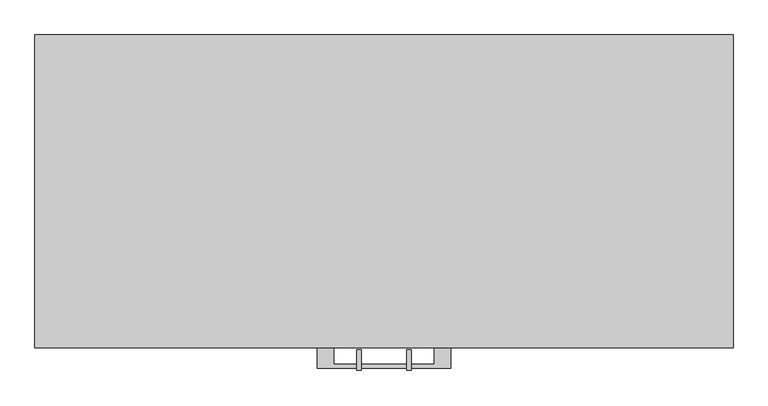
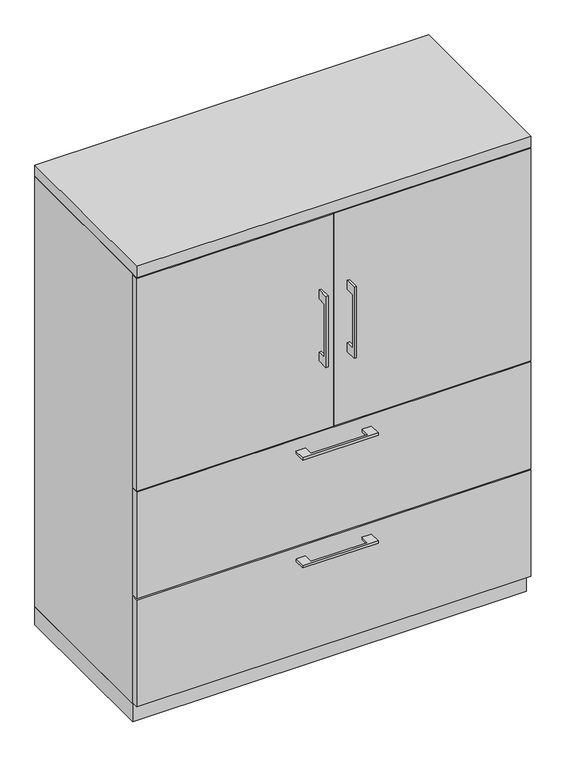
"""IFC4 building model written with IfcOpenShell, lengths in millimetres: furniture geometry."""

from ifc_helpers import new_model, si_unit, frame, origin, origin_with_axes, place, context, project, spatial, polyline, outline, extrude, source, transform, mapped, element, save


def furniture_dc845b52(model_context):
    return source(origin(), model_context, "Body", "SweptSolid", [
        extrude(outline(polyline([(-479.425, 1049.3375), (-504.8249758, 1049.3375), (-504.8249758, 896.9375), (-479.425, 896.9375), (-479.425, 871.5375), (-511.1749879, 871.5375), (-511.1749879, 1074.7375), (-479.425, 1074.7375), (-479.425, 1049.3375)])), frame((-41.2749879, 0.0, 0.0), z_axis=(1.0, 0.0, 0.0), x_axis=(0.0, 1.0, 0.0)), (0.0, 0.0, 1.0), 6.3499758),
        extrude(outline(polyline([(-531.8125, -476.25), (-531.8125, -457.2), (-1.5875, -457.2), (-1.5875, -476.25), (-531.8125, -476.25)])), frame((0.0, 0.0, 669.925), z_axis=(0.0, 0.0, 1.0), x_axis=(1.0, 0.0, 0.0)), (0.0, 0.0, 1.0), 606.425),
        extrude(outline(polyline([(-479.425, 1049.3375), (-504.8249758, 1049.3375), (-504.8249758, 896.9375), (-479.425, 896.9375), (-479.425, 871.5375), (-511.1749879, 871.5375), (-511.1749879, 1074.7375), (-479.425, 1074.7375), (-479.425, 1049.3375)])), frame((34.9250121, 0.0, 0.0), z_axis=(1.0, 0.0, 0.0), x_axis=(0.0, 1.0, 0.0)), (0.0, 0.0, 1.0), 6.3499758),
        extrude(outline(polyline([(531.8125, -476.25), (1.5875, -476.25), (1.5875, -457.2), (531.8125, -457.2), (531.8125, -476.25)])), frame((0.0, 0.0, 669.925), z_axis=(0.0, 0.0, 1.0), x_axis=(1.0, 0.0, 0.0)), (0.0, 0.0, 1.0), 606.425),
        extrude(outline(polyline([(512.7625, -19.05), (512.7625, -457.2), (-512.7625, -457.2), (-512.7625, -19.05), (512.7625, -19.05)])), frame((0.0, 0.0, 965.2), z_axis=(0.0, 0.0, 1.0), x_axis=(1.0, 0.0, 0.0)), (0.0, 0.0, 1.0), 19.05),
        extrude(outline(polyline([(-76.1999818, -476.25), (-76.1999818, -501.6499758), (76.2, -501.6499758), (76.2, -476.25), (101.5999939, -476.25), (101.5999939, -507.9999879), (-101.5999939, -507.9999879), (-101.5999939, -476.25), (-76.1999818, -476.25)])), frame((0.0, 0.0, 627.0625506), z_axis=(0.0, 0.0, 1.0), x_axis=(1.0, 0.0, 0.0)), (0.0, 0.0, 1.0), 6.3499758),
        extrude(outline(polyline([(531.8125, -457.2), (531.8125, -476.25), (-531.8125, -476.25), (-531.8125, -457.2), (531.8125, -457.2)])), frame((0.0, 0.0, 361.95), z_axis=(0.0, 0.0, 1.0), x_axis=(1.0, 0.0, 0.0)), (0.0, 0.0, 1.0), 304.8),
        extrude(outline(polyline([(-76.1999818, -476.25), (-76.1999818, -501.6499758), (76.2, -501.6499758), (76.2, -476.25), (101.5999939, -476.25), (101.5999939, -507.9999879), (-101.5999939, -507.9999879), (-101.5999939, -476.25), (-76.1999818, -476.25)])), frame((0.0, 0.0, 319.0875506), z_axis=(0.0, 0.0, 1.0), x_axis=(1.0, 0.0, 0.0)), (0.0, 0.0, 1.0), 6.3499758),
        extrude(outline(polyline([(531.8125, -457.2), (531.8125, -476.25), (-531.8125, -476.25), (-531.8125, -457.2), (531.8125, -457.2)])), frame((0.0, 0.0, 53.975), z_axis=(0.0, 0.0, 1.0), x_axis=(1.0, 0.0, 0.0)), (0.0, 0.0, 1.0), 304.8),
        extrude(outline(polyline([(512.7625, -19.05), (512.7625, -457.2), (-512.7625, -457.2), (-512.7625, -19.05), (512.7625, -19.05)])), frame((0.0, 0.0, 50.8), z_axis=(0.0, 0.0, 1.0), x_axis=(1.0, 0.0, 0.0)), (0.0, 0.0, 1.0), 619.125),
        extrude(outline(polyline([(-531.8125, 0.0), (531.8125, 0.0), (531.8125, -457.2), (512.7625, -457.2), (512.7625, -19.05), (-512.7625, -19.05), (-512.7625, -457.2), (-531.8125, -457.2), (-531.8125, 0.0)])), frame((0.0, 0.0, 50.8), z_axis=(0.0, 0.0, 1.0), x_axis=(1.0, 0.0, 0.0)), (0.0, 0.0, 1.0), 1228.725),
        extrude(outline(polyline([(531.8125, 0.0), (531.8125, -476.25), (-531.8125, -476.25), (-531.8125, 0.0), (531.8125, 0.0)])), frame((0.0, 0.0, 1279.525), z_axis=(0.0, 0.0, 1.0), x_axis=(1.0, 0.0, 0.0)), (0.0, 0.0, 1.0), 31.75),
        extrude(outline(polyline([(531.8125, 0.0), (531.8125, -457.2), (-531.8125, -457.2), (-531.8125, 0.0), (531.8125, 0.0)])), origin_with_axes(), (0.0, 0.0, 1.0), 50.8),
    ])


if __name__ == "__main__":
    model = new_model("IFC4")
    model_context = context("Model", 3, world=origin())
    ifc_project = project(units=[si_unit("LENGTHUNIT", "METRE", prefix="MILLI")], contexts=[model_context])
    site = spatial("IfcSite", under=ifc_project)
    building = spatial("IfcBuilding", under=site)
    placement = place(None, origin())
    furniture_shape = furniture_dc845b52(model_context)
    element("IfcFurniture", 1, at=placement, inside=building, context=model_context, shape_type="MappedRepresentation", body=[
        mapped(furniture_shape, transform((0.0, 0.0, 0.0), x_axis=(1.0, 0.0, 0.0), y_axis=(0.0, 1.0, 0.0), z_axis=(0.0, 0.0, 1.0))),
    ])
    save(model, "model.ifc")
